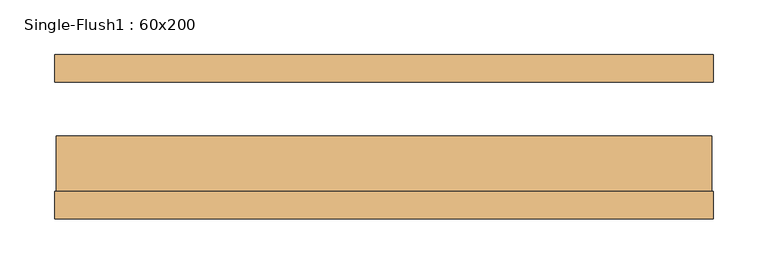
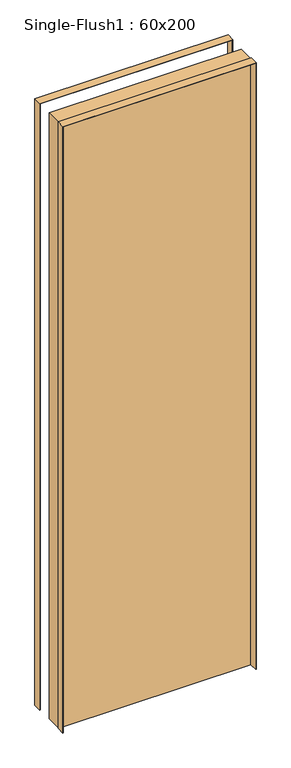
"""IFC4 building model written with IfcOpenShell, lengths in millimetres: door geometry, Single-Flush1 : 60x200."""

import ifcopenshell
import ifcopenshell.guid

model = None  # the IFC model being written
_history = None  # IfcOwnerHistory: only IFC2X3 demands one
_inside = {}  # id of a spatial element -> (the spatial element, [elements in it])
_under = {}  # id of a project, library or spatial element -> (it, [spatial elements below it])
_declared = {}  # id of a project -> (the project, [libraries it declares])
_typed = {}  # id of a type object -> (the type object, [elements of that type])
_made_of = {}  # id of a material, layer set ... -> (it, [elements and type objects made of it])


def new_model(schema):
    """Start an empty IFC model of exactly this schema.

    Asked for "IFC4X3", IfcOpenShell would pick the latest addendum, in which some entities
    have other attributes; the version numbers below select the first issue.
    IFC2X3 requires an IfcOwnerHistory on every rooted entity: one is made here for all.
    """
    global model, _history
    if schema == "IFC4X3":
        model = ifcopenshell.file(schema_version=(4, 3, 0, 0))
    else:
        model = ifcopenshell.file(schema=schema)
    _inside.clear()
    _under.clear()
    _declared.clear()
    _typed.clear()
    _made_of.clear()
    _history = None
    if model.schema == "IFC2X3":
        org = make("IfcOrganization", Name="unknown")
        user = make(
            "IfcPersonAndOrganization",
            ThePerson=make("IfcPerson", FamilyName="unknown"),
            TheOrganization=org,
        )
        app = make(
            "IfcApplication",
            ApplicationDeveloper=org,
            Version="unknown",
            ApplicationFullName="unknown",
            ApplicationIdentifier="unknown",
        )
        _history = make(
            "IfcOwnerHistory",
            OwningUser=user,
            OwningApplication=app,
            ChangeAction="ADDED",
            CreationDate=0,
        )
    return model


def make(cls, **values):
    """One entity of the class cls with the attributes given. An attribute that is None is left unset."""
    return model.create_entity(
        cls, **{name: value for name, value in values.items() if value is not None}
    )


def rooted(cls, **values):
    """An entity with a GlobalId (a new one), such as an element, a storey or a relation."""
    return make(cls, GlobalId=ifcopenshell.guid.new(), OwnerHistory=_history, **values)


def si_unit(unit_type, name, prefix=None):
    """IfcSIUnit, for example si_unit("LENGTHUNIT", "METRE", prefix="MILLI")."""
    return make("IfcSIUnit", UnitType=unit_type, Prefix=prefix, Name=name)


def assignment(units):
    """IfcUnitAssignment: the units of a project."""
    return None if units is None else make("IfcUnitAssignment", Units=units)


def point(xyz):
    """IfcCartesianPoint."""
    return None if xyz is None else make("IfcCartesianPoint", Coordinates=xyz)


def direction(xyz):
    """IfcDirection."""
    return None if xyz is None else make("IfcDirection", DirectionRatios=xyz)


def frame(location, z_axis=None, x_axis=None):
    """IfcAxis2Placement3D, a coordinate frame: its origin and axes. An axis left out is left unset."""
    return make(
        "IfcAxis2Placement3D",
        Location=point(location),
        Axis=direction(z_axis),
        RefDirection=direction(x_axis),
    )


def origin():
    """The frame at (0, 0, 0) with its axes left unset."""
    return frame((0.0, 0.0, 0.0))


def origin_with_axes():
    """The frame at (0, 0, 0) with the z axis (0, 0, 1) and the x axis (1, 0, 0) written out."""
    return frame((0.0, 0.0, 0.0), z_axis=(0.0, 0.0, 1.0), x_axis=(1.0, 0.0, 0.0))


def place(relative_to, where):
    """IfcLocalPlacement: puts the frame where relative to a parent placement (None: the world)."""
    return make(
        "IfcLocalPlacement", PlacementRelTo=relative_to, RelativePlacement=where
    )


def context(
    kind, dimensions, precision=None, world=None, true_north=None, identifier=None
):
    """IfcGeometricRepresentationContext, for example the 3D "Model" context."""
    return make(
        "IfcGeometricRepresentationContext",
        ContextIdentifier=identifier,
        ContextType=kind,
        CoordinateSpaceDimension=dimensions,
        Precision=precision,
        WorldCoordinateSystem=world,
        TrueNorth=true_north,
    )


def project(units=None, contexts=None):
    """IfcProject with its units and contexts."""
    return rooted(
        "IfcProject",
        Name="project",
        RepresentationContexts=contexts,
        UnitsInContext=assignment(units),
    )


def spatial(cls, under=None, at=None, **own):
    """A site, building, storey or space (cls), placed at a placement, below another one or the project."""
    s = rooted(cls, ObjectPlacement=at, **own)
    if under is not None:
        _under.setdefault(under.id(), (under, []))[1].append(s)
    return s


def polyline(points):
    """IfcPolyline through the points."""
    return make("IfcPolyline", Points=[point(p) for p in points])


def outline(outer, holes=None, kind="AREA"):
    """IfcArbitraryClosedProfileDef: a profile drawn as a closed curve; with holes, ...WithVoids."""
    if holes is None:
        return make("IfcArbitraryClosedProfileDef", ProfileType=kind, OuterCurve=outer)
    return make(
        "IfcArbitraryProfileDefWithVoids",
        ProfileType=kind,
        OuterCurve=outer,
        InnerCurves=holes,
    )


def extrude(swept, where, along, depth):
    """IfcExtrudedAreaSolid: the profile swept, set in the frame where, extruded along a direction by depth."""
    return make(
        "IfcExtrudedAreaSolid",
        SweptArea=swept,
        Position=where,
        ExtrudedDirection=direction(along),
        Depth=depth,
    )


def shape(context_of_items, identifier, shape_type, items):
    """IfcShapeRepresentation: the items that make up one representation, for example the "Body"."""
    return make(
        "IfcShapeRepresentation",
        ContextOfItems=context_of_items,
        RepresentationIdentifier=identifier,
        RepresentationType=shape_type,
        Items=items,
    )


def source(mapping_origin, context_of_items, identifier, shape_type, items):
    """IfcRepresentationMap: a shape defined once, which mapped items show again and again."""
    return make(
        "IfcRepresentationMap",
        MappingOrigin=mapping_origin,
        MappedRepresentation=shape(context_of_items, identifier, shape_type, items),
    )


def transform(
    local_origin,
    x_axis=None,
    y_axis=None,
    z_axis=None,
    scale=None,
    scale2=None,
    scale3=None,
    uniform=True,
):
    """IfcCartesianTransformationOperator3D, or its non-uniform kind. x_axis, y_axis, z_axis: its Axis1, 2, 3."""
    if uniform:
        return make(
            "IfcCartesianTransformationOperator3D",
            Axis1=direction(x_axis),
            Axis2=direction(y_axis),
            LocalOrigin=point(local_origin),
            Scale=scale,
            Axis3=direction(z_axis),
        )
    return make(
        "IfcCartesianTransformationOperator3DnonUniform",
        Axis1=direction(x_axis),
        Axis2=direction(y_axis),
        LocalOrigin=point(local_origin),
        Scale=scale,
        Axis3=direction(z_axis),
        Scale2=scale2,
        Scale3=scale3,
    )


def mapped(mapping_source, mapping_target):
    """IfcMappedItem: shows the shape of a source again, moved by a transform."""
    return make(
        "IfcMappedItem", MappingSource=mapping_source, MappingTarget=mapping_target
    )


def made_of(thing, what):
    """Note that an element or type object is made of a material, layer set ...; save() writes the relation."""
    if what is not None:
        _made_of.setdefault(what.id(), (what, []))[1].append(thing)
    return thing


def element(
    cls,
    number,
    at=None,
    inside=None,
    cuts=None,
    type_object=None,
    material=None,
    context=None,
    identifier="Body",
    shape_type=None,
    held_by="IfcProductDefinitionShape",
    body=None,
    shapes=None,
    **own,
):
    """One element of the class cls, such as IfcWall. Its Tag is "e" and its number.

    at: its placement. inside: the storey or other place that contains it. cuts: it is an
    opening in that element (IfcRelVoidsElement). A single representation is given by context,
    identifier, shape_type and body (its items); several are given by shapes. held_by: the class
    of the entity that holds the representations. save() writes the other relations.
    """
    e = rooted(cls, Tag="e%d" % number, ObjectPlacement=at, **own)
    if body is not None:
        shapes = [shape(context, identifier, shape_type, body)]
    if shapes is not None:
        e.Representation = make(held_by, Representations=shapes)
    if inside is not None:
        _inside.setdefault(inside.id(), (inside, []))[1].append(e)
    if cuts is not None:
        rooted(
            "IfcRelVoidsElement", RelatingBuildingElement=cuts, RelatedOpeningElement=e
        )
    if type_object is not None:
        _typed.setdefault(type_object.id(), (type_object, []))[1].append(e)
    return made_of(e, material)


def aggregate(whole, parts):
    """IfcRelAggregates: a whole, such as a stair, and the parts it consists of."""
    return rooted("IfcRelAggregates", RelatingObject=whole, RelatedObjects=parts)


def save(model, path):
    """Write the relations noted so far, then the file.

    IfcRelAggregates (storeys below a building ...), IfcRelContainedInSpatialStructure (elements
    in a storey), IfcRelDefinesByType, IfcRelAssociatesMaterial and IfcRelDeclares: one each for
    every whole, place, type object, material and project.
    """
    for whole, parts in _under.values():
        aggregate(whole, parts)
    for where, things in _inside.values():
        rooted(
            "IfcRelContainedInSpatialStructure",
            RelatedElements=things,
            RelatingStructure=where,
        )
    for kind, things in _typed.values():
        rooted("IfcRelDefinesByType", RelatedObjects=things, RelatingType=kind)
    for what, things in _made_of.values():
        rooted("IfcRelAssociatesMaterial", RelatedObjects=things, RelatingMaterial=what)
    for by, libraries in _declared.values():
        rooted("IfcRelDeclares", RelatingContext=by, RelatedDefinitions=libraries)
    model.write(path)


def single_flush1_60x200_4c9d485f(model_context):
    return source(origin(), model_context, "Body", "SweptSolid", [
        extrude(outline(polyline([(2001.5875, -301.5875), (0.0, -301.5875), (0.0, -300.0), (2000.0, -300.0), (2000.0, 300.0), (0.0, 300.0), (0.0, 301.5875), (2001.5875, 301.5875), (2001.5875, -301.5875)])), frame((0.0, -75.4, 0.0), z_axis=(0.0, 1.0, 0.0), x_axis=(0.0, 0.0, 1.0)), (0.0, 0.0, 1.0), 25.4),
        extrude(outline(polyline([(2001.5875, 301.5875), (2001.5875, -301.5875), (0.0, -301.5875), (0.0, -300.0), (2000.0, -300.0), (2000.0, 300.0), (0.0, 300.0), (0.0, 301.5875), (2001.5875, 301.5875)])), frame((0.0, 50.0, 0.0), z_axis=(0.0, 1.0, 0.0), x_axis=(0.0, 0.0, 1.0)), (0.0, 0.0, 1.0), 25.4),
        extrude(outline(polyline([(300.0, 0.8), (300.0, -50.0), (-300.0, -50.0), (-300.0, 0.8), (300.0, 0.8)])), origin_with_axes(), (0.0, 0.0, 1.0), 2000.0),
    ])


if __name__ == "__main__":
    model = new_model("IFC4")
    model_context = context("Model", 3, world=origin())
    ifc_project = project(units=[si_unit("LENGTHUNIT", "METRE", prefix="MILLI")], contexts=[model_context])
    site = spatial("IfcSite", under=ifc_project)
    building = spatial("IfcBuilding", under=site)
    placement = place(None, origin())
    single_flush1_60x200_shape = single_flush1_60x200_4c9d485f(model_context)
    element("IfcDoor", 1, ObjectType="Single-Flush1 : 60x200", at=placement, inside=building, context=model_context, shape_type="MappedRepresentation", body=[
        mapped(single_flush1_60x200_shape, transform((0.0, 0.0, 0.0), x_axis=(1.0, 0.0, 0.0), y_axis=(0.0, 1.0, 0.0), z_axis=(0.0, 0.0, 1.0))),
    ])
    save(model, "model.ifc")
